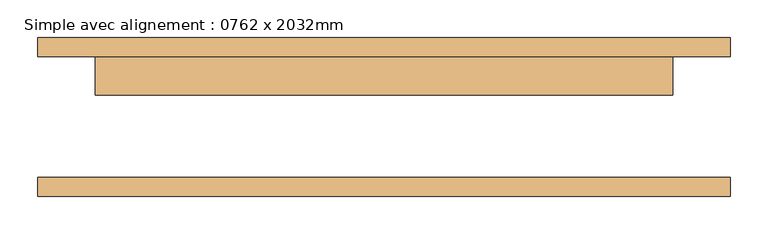
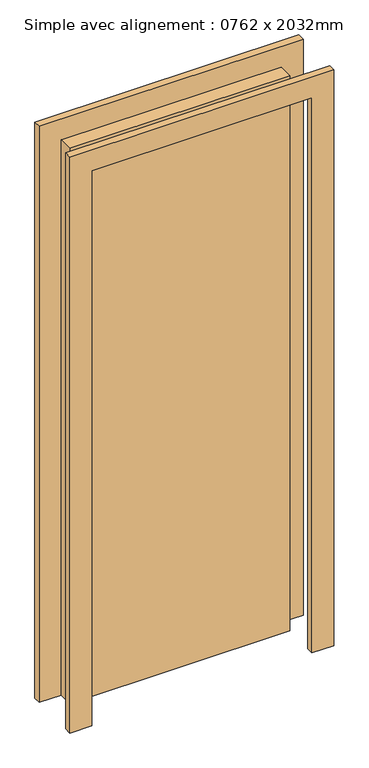
"""IFC4 building model written with IfcOpenShell, lengths in millimetres: door geometry, Simple avec alignement : 0762 x 2032mm."""

import ifcopenshell
import ifcopenshell.guid

model = None  # the IFC model being written
_history = None  # IfcOwnerHistory: only IFC2X3 demands one
_inside = {}  # id of a spatial element -> (the spatial element, [elements in it])
_under = {}  # id of a project, library or spatial element -> (it, [spatial elements below it])
_declared = {}  # id of a project -> (the project, [libraries it declares])
_typed = {}  # id of a type object -> (the type object, [elements of that type])
_made_of = {}  # id of a material, layer set ... -> (it, [elements and type objects made of it])


def new_model(schema):
    """Start an empty IFC model of exactly this schema.

    Asked for "IFC4X3", IfcOpenShell would pick the latest addendum, in which some entities
    have other attributes; the version numbers below select the first issue.
    IFC2X3 requires an IfcOwnerHistory on every rooted entity: one is made here for all.
    """
    global model, _history
    if schema == "IFC4X3":
        model = ifcopenshell.file(schema_version=(4, 3, 0, 0))
    else:
        model = ifcopenshell.file(schema=schema)
    _inside.clear()
    _under.clear()
    _declared.clear()
    _typed.clear()
    _made_of.clear()
    _history = None
    if model.schema == "IFC2X3":
        org = make("IfcOrganization", Name="unknown")
        user = make(
            "IfcPersonAndOrganization",
            ThePerson=make("IfcPerson", FamilyName="unknown"),
            TheOrganization=org,
        )
        app = make(
            "IfcApplication",
            ApplicationDeveloper=org,
            Version="unknown",
            ApplicationFullName="unknown",
            ApplicationIdentifier="unknown",
        )
        _history = make(
            "IfcOwnerHistory",
            OwningUser=user,
            OwningApplication=app,
            ChangeAction="ADDED",
            CreationDate=0,
        )
    return model


def make(cls, **values):
    """One entity of the class cls with the attributes given. An attribute that is None is left unset."""
    return model.create_entity(
        cls, **{name: value for name, value in values.items() if value is not None}
    )


def rooted(cls, **values):
    """An entity with a GlobalId (a new one), such as an element, a storey or a relation."""
    return make(cls, GlobalId=ifcopenshell.guid.new(), OwnerHistory=_history, **values)


def si_unit(unit_type, name, prefix=None):
    """IfcSIUnit, for example si_unit("LENGTHUNIT", "METRE", prefix="MILLI")."""
    return make("IfcSIUnit", UnitType=unit_type, Prefix=prefix, Name=name)


def assignment(units):
    """IfcUnitAssignment: the units of a project."""
    return None if units is None else make("IfcUnitAssignment", Units=units)


def point(xyz):
    """IfcCartesianPoint."""
    return None if xyz is None else make("IfcCartesianPoint", Coordinates=xyz)


def direction(xyz):
    """IfcDirection."""
    return None if xyz is None else make("IfcDirection", DirectionRatios=xyz)


def frame(location, z_axis=None, x_axis=None):
    """IfcAxis2Placement3D, a coordinate frame: its origin and axes. An axis left out is left unset."""
    return make(
        "IfcAxis2Placement3D",
        Location=point(location),
        Axis=direction(z_axis),
        RefDirection=direction(x_axis),
    )


def origin():
    """The frame at (0, 0, 0) with its axes left unset."""
    return frame((0.0, 0.0, 0.0))


def origin_with_axes():
    """The frame at (0, 0, 0) with the z axis (0, 0, 1) and the x axis (1, 0, 0) written out."""
    return frame((0.0, 0.0, 0.0), z_axis=(0.0, 0.0, 1.0), x_axis=(1.0, 0.0, 0.0))


def place(relative_to, where):
    """IfcLocalPlacement: puts the frame where relative to a parent placement (None: the world)."""
    return make(
        "IfcLocalPlacement", PlacementRelTo=relative_to, RelativePlacement=where
    )


def context(
    kind, dimensions, precision=None, world=None, true_north=None, identifier=None
):
    """IfcGeometricRepresentationContext, for example the 3D "Model" context."""
    return make(
        "IfcGeometricRepresentationContext",
        ContextIdentifier=identifier,
        ContextType=kind,
        CoordinateSpaceDimension=dimensions,
        Precision=precision,
        WorldCoordinateSystem=world,
        TrueNorth=true_north,
    )


def project(units=None, contexts=None):
    """IfcProject with its units and contexts."""
    return rooted(
        "IfcProject",
        Name="project",
        RepresentationContexts=contexts,
        UnitsInContext=assignment(units),
    )


def spatial(cls, under=None, at=None, **own):
    """A site, building, storey or space (cls), placed at a placement, below another one or the project."""
    s = rooted(cls, ObjectPlacement=at, **own)
    if under is not None:
        _under.setdefault(under.id(), (under, []))[1].append(s)
    return s


def polyline(points):
    """IfcPolyline through the points."""
    return make("IfcPolyline", Points=[point(p) for p in points])


def outline(outer, holes=None, kind="AREA"):
    """IfcArbitraryClosedProfileDef: a profile drawn as a closed curve; with holes, ...WithVoids."""
    if holes is None:
        return make("IfcArbitraryClosedProfileDef", ProfileType=kind, OuterCurve=outer)
    return make(
        "IfcArbitraryProfileDefWithVoids",
        ProfileType=kind,
        OuterCurve=outer,
        InnerCurves=holes,
    )


def extrude(swept, where, along, depth):
    """IfcExtrudedAreaSolid: the profile swept, set in the frame where, extruded along a direction by depth."""
    return make(
        "IfcExtrudedAreaSolid",
        SweptArea=swept,
        Position=where,
        ExtrudedDirection=direction(along),
        Depth=depth,
    )


def shape(context_of_items, identifier, shape_type, items):
    """IfcShapeRepresentation: the items that make up one representation, for example the "Body"."""
    return make(
        "IfcShapeRepresentation",
        ContextOfItems=context_of_items,
        RepresentationIdentifier=identifier,
        RepresentationType=shape_type,
        Items=items,
    )


def source(mapping_origin, context_of_items, identifier, shape_type, items):
    """IfcRepresentationMap: a shape defined once, which mapped items show again and again."""
    return make(
        "IfcRepresentationMap",
        MappingOrigin=mapping_origin,
        MappedRepresentation=shape(context_of_items, identifier, shape_type, items),
    )


def transform(
    local_origin,
    x_axis=None,
    y_axis=None,
    z_axis=None,
    scale=None,
    scale2=None,
    scale3=None,
    uniform=True,
):
    """IfcCartesianTransformationOperator3D, or its non-uniform kind. x_axis, y_axis, z_axis: its Axis1, 2, 3."""
    if uniform:
        return make(
            "IfcCartesianTransformationOperator3D",
            Axis1=direction(x_axis),
            Axis2=direction(y_axis),
            LocalOrigin=point(local_origin),
            Scale=scale,
            Axis3=direction(z_axis),
        )
    return make(
        "IfcCartesianTransformationOperator3DnonUniform",
        Axis1=direction(x_axis),
        Axis2=direction(y_axis),
        LocalOrigin=point(local_origin),
        Scale=scale,
        Axis3=direction(z_axis),
        Scale2=scale2,
        Scale3=scale3,
    )


def mapped(mapping_source, mapping_target):
    """IfcMappedItem: shows the shape of a source again, moved by a transform."""
    return make(
        "IfcMappedItem", MappingSource=mapping_source, MappingTarget=mapping_target
    )


def made_of(thing, what):
    """Note that an element or type object is made of a material, layer set ...; save() writes the relation."""
    if what is not None:
        _made_of.setdefault(what.id(), (what, []))[1].append(thing)
    return thing


def element(
    cls,
    number,
    at=None,
    inside=None,
    cuts=None,
    type_object=None,
    material=None,
    context=None,
    identifier="Body",
    shape_type=None,
    held_by="IfcProductDefinitionShape",
    body=None,
    shapes=None,
    **own,
):
    """One element of the class cls, such as IfcWall. Its Tag is "e" and its number.

    at: its placement. inside: the storey or other place that contains it. cuts: it is an
    opening in that element (IfcRelVoidsElement). A single representation is given by context,
    identifier, shape_type and body (its items); several are given by shapes. held_by: the class
    of the entity that holds the representations. save() writes the other relations.
    """
    e = rooted(cls, Tag="e%d" % number, ObjectPlacement=at, **own)
    if body is not None:
        shapes = [shape(context, identifier, shape_type, body)]
    if shapes is not None:
        e.Representation = make(held_by, Representations=shapes)
    if inside is not None:
        _inside.setdefault(inside.id(), (inside, []))[1].append(e)
    if cuts is not None:
        rooted(
            "IfcRelVoidsElement", RelatingBuildingElement=cuts, RelatedOpeningElement=e
        )
    if type_object is not None:
        _typed.setdefault(type_object.id(), (type_object, []))[1].append(e)
    return made_of(e, material)


def aggregate(whole, parts):
    """IfcRelAggregates: a whole, such as a stair, and the parts it consists of."""
    return rooted("IfcRelAggregates", RelatingObject=whole, RelatedObjects=parts)


def save(model, path):
    """Write the relations noted so far, then the file.

    IfcRelAggregates (storeys below a building ...), IfcRelContainedInSpatialStructure (elements
    in a storey), IfcRelDefinesByType, IfcRelAssociatesMaterial and IfcRelDeclares: one each for
    every whole, place, type object, material and project.
    """
    for whole, parts in _under.values():
        aggregate(whole, parts)
    for where, things in _inside.values():
        rooted(
            "IfcRelContainedInSpatialStructure",
            RelatedElements=things,
            RelatingStructure=where,
        )
    for kind, things in _typed.values():
        rooted("IfcRelDefinesByType", RelatedObjects=things, RelatingType=kind)
    for what, things in _made_of.values():
        rooted("IfcRelAssociatesMaterial", RelatedObjects=things, RelatingMaterial=what)
    for by, libraries in _declared.values():
        rooted("IfcRelDeclares", RelatingContext=by, RelatedDefinitions=libraries)
    model.write(path)


def simple_avec_alignement_0762_x_2032mm_f33351b3(model_context):
    return source(origin(), model_context, "Body", "SweptSolid", [
        extrude(outline(polyline([(2108.0, -457.0), (0.0, -457.0), (0.0, -381.0), (2032.0, -381.0), (2032.0, 381.0), (0.0, 381.0), (0.0, 457.0), (2108.0, 457.0), (2108.0, -457.0)])), frame((0.0, 80.0, 0.0), z_axis=(0.0, 1.0, 0.0), x_axis=(0.0, 0.0, 1.0)), (0.0, 0.0, 1.0), 25.0),
        extrude(outline(polyline([(2108.0, 457.0), (2108.0, -457.0), (0.0, -457.0), (0.0, -381.0), (2032.0, -381.0), (2032.0, 381.0), (0.0, 381.0), (0.0, 457.0), (2108.0, 457.0)])), frame((0.0, -105.0, 0.0), z_axis=(0.0, 1.0, 0.0), x_axis=(0.0, 0.0, 1.0)), (0.0, 0.0, 1.0), 25.0),
        extrude(outline(polyline([(381.0, 29.0), (-381.0, 29.0), (-381.0, 80.0), (381.0, 80.0), (381.0, 29.0)])), origin_with_axes(), (0.0, 0.0, 1.0), 2032.0),
    ])


if __name__ == "__main__":
    model = new_model("IFC4")
    model_context = context("Model", 3, world=origin())
    ifc_project = project(units=[si_unit("LENGTHUNIT", "METRE", prefix="MILLI")], contexts=[model_context])
    site = spatial("IfcSite", under=ifc_project)
    building = spatial("IfcBuilding", under=site)
    placement = place(None, origin())
    simple_avec_alignement_0762_x_2032mm_shape = simple_avec_alignement_0762_x_2032mm_f33351b3(model_context)
    element("IfcDoor", 1, ObjectType="Simple avec alignement : 0762 x 2032mm", at=placement, inside=building, context=model_context, shape_type="MappedRepresentation", body=[
        mapped(simple_avec_alignement_0762_x_2032mm_shape, transform((0.0, 0.0, 0.0), x_axis=(1.0, 0.0, 0.0), y_axis=(0.0, 1.0, 0.0), z_axis=(0.0, 0.0, 1.0))),
    ])
    save(model, "model.ifc")
